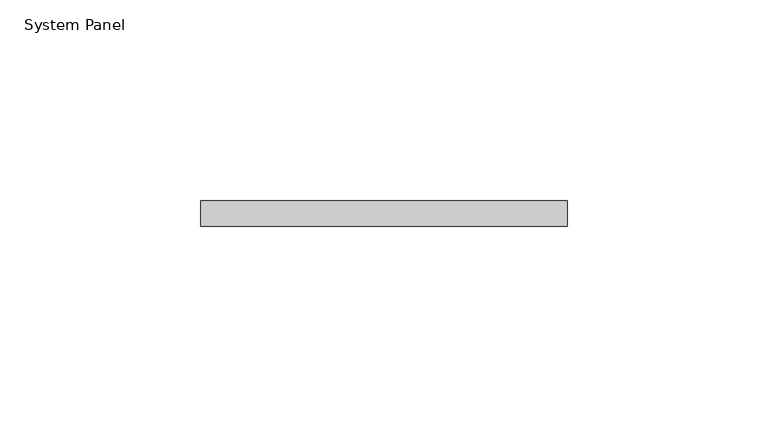
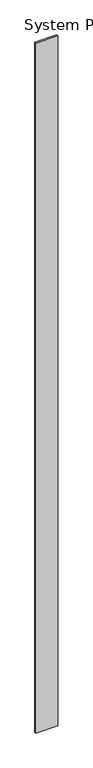
"""IFC4 building model written with IfcOpenShell, lengths in millimetres: plate geometry, System Panel."""

from ifc_helpers import new_model, si_unit, origin, origin_with_axes, place, context, project, spatial, polyline, outline, extrude, source, transform, mapped, element, save


def system_panel_a60cbe80(model_context):
    return source(origin(), model_context, "Body", "SweptSolid", [
        extrude(outline(polyline([(45.7033391, -6.35), (-45.7033391, -6.35), (-45.7033391, 0.0), (45.7033391, 0.0), (45.7033391, -6.35)])), origin_with_axes(), (0.0, 0.0, 1.0), 3048.0),
    ])


if __name__ == "__main__":
    model = new_model("IFC4")
    model_context = context("Model", 3, world=origin())
    ifc_project = project(units=[si_unit("LENGTHUNIT", "METRE", prefix="MILLI")], contexts=[model_context])
    site = spatial("IfcSite", under=ifc_project)
    building = spatial("IfcBuilding", under=site)
    placement = place(None, origin())
    system_panel_shape = system_panel_a60cbe80(model_context)
    element("IfcPlate", 1, ObjectType="System Panel", at=placement, inside=building, context=model_context, shape_type="MappedRepresentation", body=[
        mapped(system_panel_shape, transform((0.0, 0.0, 0.0), x_axis=(1.0, 0.0, 0.0), y_axis=(0.0, 1.0, 0.0), z_axis=(0.0, 0.0, 1.0))),
    ])
    save(model, "model.ifc")
